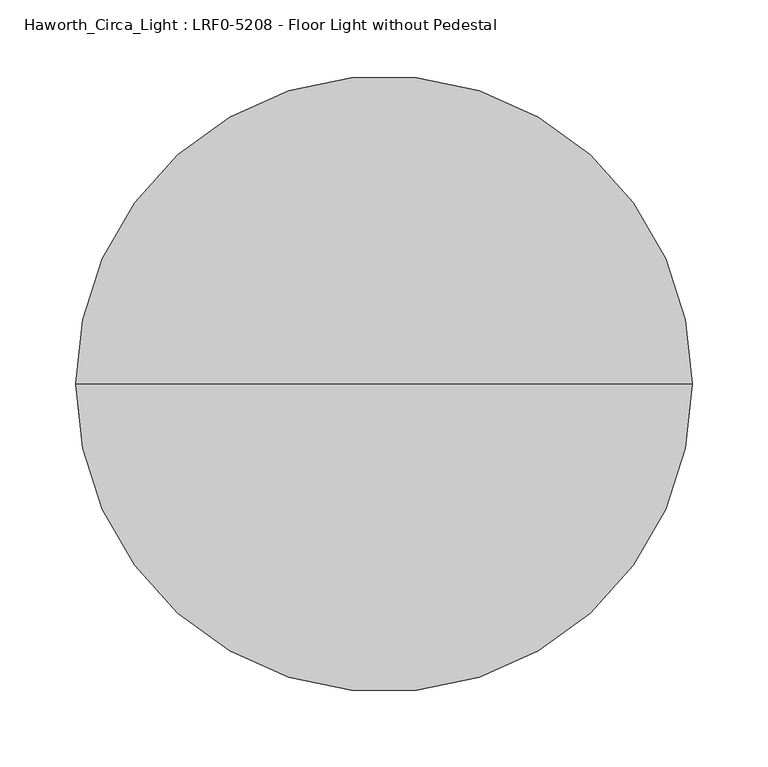
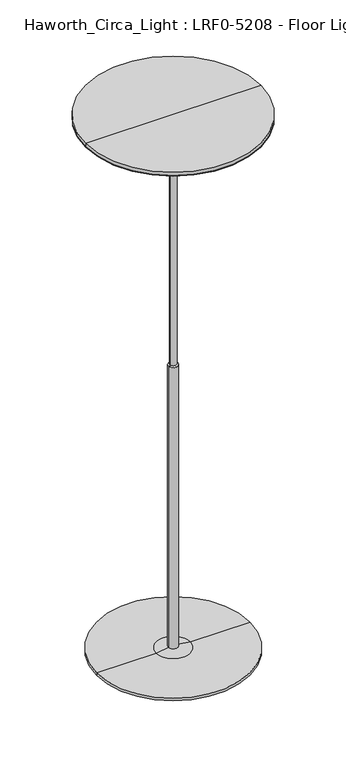
"""IFC4 building model written with IfcOpenShell, lengths in millimetres: light fixture geometry, Haworth_Circa_Light : LRF0-5208 - Floor Light without Pedestal."""

from ifc_helpers import new_model, si_unit, frame, origin, place, context, project, spatial, polyline, circle_curve, source, transform, mapped, element, save
from ifc_brep_helpers import plane_surface, cylinder_surface, revolved_surface, advanced_brep


def haworth_circa_light_lrf0_5208_floor_light_without_pedestal_fb8e6071(model_context):
    return source(origin(), model_context, "Body", "AdvancedBrep", [
        advanced_brep(
        [(-99.8462133, 182.2492657, 0.0), (-116.5127506, 176.8339794, 0.0), (-108.1794819, 179.5416226, 0.0), (-108.1794819, 179.5416226, 9.9059996), (-118.1739563, 176.294221, 9.9059996), (-98.1850076, 182.7890241, 9.9059996)],
        [
            (0, 1, circle_curve(frame((-108.1794819, 179.5416226, 0.0), z_axis=(0.0, 0.0, -1.0), x_axis=(-0.9510565162951531, -0.309016994374949, 0.0)), 8.7621172)),
            (1, 2),
            (2, 0),
            (1, 0, circle_curve(frame((-108.1794819, 179.5416226, 0.0), z_axis=(0.0, 0.0, -1.0), x_axis=(-0.9510565162951531, -0.309016994374949, 0.0)), 8.7621172)),
            (3, 4),
            (4, 5, circle_curve(frame((-108.1794819, 179.5416226, 9.9059996), z_axis=(0.0, 0.0, 1.0), x_axis=(-0.9510565162951531, -0.309016994374949, 0.0)), 10.5088122)),
            (5, 3),
            (5, 4, circle_curve(frame((-108.1794819, 179.5416226, 9.9059996), z_axis=(0.0, 0.0, 1.0), x_axis=(-0.9510565162951531, -0.309016994374949, 0.0)), 10.5088122)),
            (4, 1),
            (0, 5),
        ],
        [
            plane_surface(frame((-108.1794819, 179.5416226, 0.0), z_axis=(0.0, 0.0, -1.0), x_axis=(-0.9510565162951531, -0.309016994374949, 0.0))),
            plane_surface(frame((-108.1794819, 179.5416226, 9.9059996), z_axis=(0.0, 0.0, 1.0), x_axis=(-0.9510565162951531, -0.309016994374949, 0.0))),
            revolved_surface(polyline([(-116.5127506, 176.8339794, 0.0), (-118.1739563, 176.294221, 9.9059996)]), (-108.1794819, 179.5416226, -8.0451131), (0.0, 0.0, 1.0)),
        ],
        [
            (0, [[1, 2, 3]]),
            (0, [[4, -3, -2]]),
            (1, [[5, 6, 7]]),
            (1, [[-7, 8, -5]]),
            (2, [[-6, 9, -1, 10]]),
            (2, [[-8, -10, -4, -9]]),
        ],
    ),
        advanced_brep(
        [(-173.7713699, 224.2532085, 1312.9022747), (232.6286301, 224.2532085, 1312.9022747), (232.6286301, 224.2532085, 1311.652351), (-173.7713699, 224.2532085, 1311.652351), (-27.7213699, 224.2532085, 1312.9022747), (86.5786301, 224.2532085, 1312.9022747), (-27.7213699, 224.2532085, 1311.652351), (86.5786301, 224.2532085, 1311.652351)],
        [
            (0, 1, circle_curve(frame((29.4286301, 224.2532085, 1312.9022747), z_axis=(0.0, 0.0, -1.0), x_axis=(1.0, 0.0, 0.0)), 203.2)),
            (1, 2),
            (2, 3, circle_curve(frame((29.4286301, 224.2532085, 1311.652351), z_axis=(0.0, 0.0, 1.0), x_axis=(1.0, 0.0, 0.0)), 203.2)),
            (3, 0),
            (1, 0, circle_curve(frame((29.4286301, 224.2532085, 1312.9022747), z_axis=(0.0, 0.0, -1.0), x_axis=(1.0, 0.0, 0.0)), 203.2)),
            (3, 2, circle_curve(frame((29.4286301, 224.2532085, 1311.652351), z_axis=(0.0, 0.0, 1.0), x_axis=(1.0, 0.0, 0.0)), 203.2)),
            (4, 5, circle_curve(frame((29.4286301, 224.2532085, 1312.9022747), z_axis=(0.0, 0.0, -1.0), x_axis=(1.0, 0.0, 0.0)), 57.15)),
            (5, 1),
            (0, 4),
            (5, 4, circle_curve(frame((29.4286301, 224.2532085, 1312.9022747), z_axis=(0.0, 0.0, -1.0), x_axis=(1.0, 0.0, 0.0)), 57.15)),
            (6, 7, circle_curve(frame((29.4286301, 224.2532085, 1311.652351), z_axis=(0.0, 0.0, -1.0), x_axis=(1.0, 0.0, 0.0)), 57.15)),
            (7, 5),
            (4, 6),
            (7, 6, circle_curve(frame((29.4286301, 224.2532085, 1311.652351), z_axis=(0.0, 0.0, -1.0), x_axis=(1.0, 0.0, 0.0)), 57.15)),
            (2, 7),
            (6, 3),
        ],
        [
            cylinder_surface(frame((29.4286301, 224.2532085, 1357.3522747), z_axis=(0.0, 0.0, 1.0), x_axis=(1.0, 0.0, 0.0)), 203.2),
            plane_surface(frame((29.4286301, 224.2532085, 1312.9022747), z_axis=(0.0, 0.0, 1.0), x_axis=(1.0, 0.0, 0.0))),
            revolved_surface(polyline([(86.5786301, 224.2532085, 1312.9022747), (86.5786301, 224.2532085, 1311.652351)]), (29.4286301, 224.2532085, 1357.3522747), (0.0, 0.0, 1.0)),
            plane_surface(frame((29.4286301, 224.2532085, 1311.652351), z_axis=(0.0, 0.0, -1.0), x_axis=(1.0, 0.0, 0.0))),
        ],
        [
            (0, [[1, 2, 3, 4]]),
            (0, [[5, -4, 6, -2]]),
            (1, [[7, 8, -1, 9]]),
            (1, [[10, -9, -5, -8]]),
            (2, [[11, 12, -7, 13]]),
            (2, [[14, -13, -10, -12]]),
            (3, [[-3, 15, -11, 16]]),
            (3, [[-6, -16, -14, -15]]),
        ],
    ),
        advanced_brep(
        [(-173.7713699, 224.2532085, 1312.9022747), (232.6286301, 224.2532085, 1312.9022747), (86.5786301, 224.2532085, 1312.9022747), (-27.7213699, 224.2532085, 1312.9022747), (-173.7713699, 224.2532085, 1320.8), (232.6286301, 224.2532085, 1320.8), (29.4286301, 224.2532085, 1320.8), (21.8095618, 224.2532085, 1305.9498415), (37.0476983, 224.2532085, 1305.9498415), (29.4286301, 224.2532085, 1305.9498415), (-27.7213699, 224.2532085, 1311.652351), (86.5786301, 224.2532085, 1311.652351)],
        [
            (0, 1, circle_curve(frame((29.4286301, 224.2532085, 1312.9022747), z_axis=(0.0, 0.0, -1.0), x_axis=(1.0, 0.0, 0.0)), 203.2)),
            (1, 2),
            (2, 3, circle_curve(frame((29.4286301, 224.2532085, 1312.9022747), z_axis=(0.0, 0.0, 1.0), x_axis=(1.0, 0.0, 0.0)), 57.15)),
            (3, 0),
            (1, 0, circle_curve(frame((29.4286301, 224.2532085, 1312.9022747), z_axis=(0.0, 0.0, -1.0), x_axis=(1.0, 0.0, 0.0)), 203.2)),
            (3, 2, circle_curve(frame((29.4286301, 224.2532085, 1312.9022747), z_axis=(0.0, 0.0, 1.0), x_axis=(1.0, 0.0, 0.0)), 57.15)),
            (4, 5, circle_curve(frame((29.4286301, 224.2532085, 1320.8), z_axis=(0.0, 0.0, -1.0), x_axis=(1.0, 0.0, 0.0)), 203.2)),
            (5, 1),
            (0, 4),
            (5, 4, circle_curve(frame((29.4286301, 224.2532085, 1320.8), z_axis=(0.0, 0.0, -1.0), x_axis=(1.0, 0.0, 0.0)), 203.2)),
            (6, 5),
            (4, 6),
            (7, 8, circle_curve(frame((29.4286301, 224.2532085, 1305.9498415), z_axis=(0.0, 0.0, -1.0), x_axis=(1.0, 0.0, 0.0)), 7.6190682)),
            (8, 9),
            (9, 7),
            (8, 7, circle_curve(frame((29.4286301, 224.2532085, 1305.9498415), z_axis=(0.0, 0.0, -1.0), x_axis=(1.0, 0.0, 0.0)), 7.6190682)),
            (10, 11, circle_curve(frame((29.4286301, 224.2532085, 1311.652351), z_axis=(0.0, 0.0, -1.0), x_axis=(1.0, 0.0, 0.0)), 57.15)),
            (11, 8),
            (7, 10),
            (11, 10, circle_curve(frame((29.4286301, 224.2532085, 1311.652351), z_axis=(0.0, 0.0, -1.0), x_axis=(1.0, 0.0, 0.0)), 57.15)),
            (2, 11),
            (10, 3),
        ],
        [
            plane_surface(frame((29.4286301, 224.2532085, 1312.9022747), z_axis=(0.0, 0.0, -1.0), x_axis=(1.0, 0.0, 0.0))),
            cylinder_surface(frame((29.4286301, 224.2532085, 1377.95), z_axis=(0.0, 0.0, 1.0), x_axis=(1.0, 0.0, 0.0)), 203.2),
            plane_surface(frame((29.4286301, 224.2532085, 1320.8), z_axis=(0.0, 0.0, 1.0), x_axis=(1.0, 0.0, 0.0))),
            plane_surface(frame((29.4286301, 224.2532085, 1305.9498415), z_axis=(0.0, 0.0, -1.0), x_axis=(1.0, 0.0, 0.0))),
            revolved_surface(polyline([(37.0476983, 224.2532085, 1305.9498415), (86.5786301, 224.2532085, 1311.652351)]), (29.4286301, 224.2532085, 1377.95), (0.0, 0.0, 1.0)),
            cylinder_surface(frame((29.4286301, 224.2532085, 1377.95), z_axis=(0.0, 0.0, 1.0), x_axis=(1.0, 0.0, 0.0)), 57.15),
        ],
        [
            (0, [[1, 2, 3, 4]]),
            (0, [[5, -4, 6, -2]]),
            (1, [[7, 8, -1, 9]]),
            (1, [[10, -9, -5, -8]]),
            (2, [[11, -7, 12]]),
            (2, [[-12, -10, -11]]),
            (3, [[13, 14, 15]]),
            (3, [[16, -15, -14]]),
            (4, [[17, 18, -13, 19]]),
            (4, [[20, -19, -16, -18]]),
            (5, [[-3, 21, -17, 22]]),
            (5, [[-6, -22, -20, -21]]),
        ],
    ),
        advanced_brep(
        [(-50.467617, 334.2209585, 0.0), (-60.7681035, 348.398362, 0.0), (-55.6178603, 341.3096602, 0.0), (-55.6178603, 341.3096602, 9.9059996), (-61.7947851, 349.8114679, 9.9059996), (-49.4409354, 332.8078526, 9.9059996)],
        [
            (0, 1, circle_curve(frame((-55.6178603, 341.3096602, 0.0), z_axis=(0.0, 0.0, -1.0), x_axis=(-0.5877852522924755, 0.8090169943749458, 0.0)), 8.7621172)),
            (1, 2),
            (2, 0),
            (1, 0, circle_curve(frame((-55.6178603, 341.3096602, 0.0), z_axis=(0.0, 0.0, -1.0), x_axis=(-0.5877852522924755, 0.8090169943749458, 0.0)), 8.7621172)),
            (3, 4),
            (4, 5, circle_curve(frame((-55.6178603, 341.3096602, 9.9059996), z_axis=(0.0, 0.0, 1.0), x_axis=(-0.5877852522924755, 0.8090169943749458, 0.0)), 10.5088122)),
            (5, 3),
            (5, 4, circle_curve(frame((-55.6178603, 341.3096602, 9.9059996), z_axis=(0.0, 0.0, 1.0), x_axis=(-0.5877852522924755, 0.8090169943749458, 0.0)), 10.5088122)),
            (4, 1),
            (0, 5),
        ],
        [
            plane_surface(frame((-55.6178603, 341.3096602, 0.0), z_axis=(0.0, 0.0, -1.0), x_axis=(-0.5877852522924755, 0.8090169943749458, 0.0))),
            plane_surface(frame((-55.6178603, 341.3096602, 9.9059996), z_axis=(0.0, 0.0, 1.0), x_axis=(-0.5877852522924755, 0.8090169943749458, 0.0))),
            revolved_surface(polyline([(-60.7681035, 348.398362, 0.0), (-61.7947851, 349.8114679, 9.9059996)]), (-55.6178603, 341.3096602, -8.0451131), (0.0, 0.0, 1.0)),
        ],
        [
            (0, [[1, 2, 3]]),
            (0, [[4, -3, -2]]),
            (1, [[5, 6, 7]]),
            (1, [[-7, 8, -5]]),
            (2, [[-6, 9, -1, 10]]),
            (2, [[-8, -10, -4, -9]]),
        ],
    ),
        advanced_brep(
        [(114.4751205, 341.3096602, 0.0), (119.6253637, 348.398362, 0.0), (109.3248772, 334.2209585, 0.0), (108.2981956, 332.8078526, 9.9059996), (120.6520453, 349.8114679, 9.9059996), (114.4751205, 341.3096602, 9.9059996)],
        [
            (0, 1),
            (1, 2, circle_curve(frame((114.4751205, 341.3096602, 0.0), z_axis=(0.0, 0.0, -1.0), x_axis=(0.5877852522924755, 0.8090169943749458, 0.0)), 8.7621172)),
            (2, 0),
            (2, 1, circle_curve(frame((114.4751205, 341.3096602, 0.0), z_axis=(0.0, 0.0, -1.0), x_axis=(0.5877852522924755, 0.8090169943749458, 0.0)), 8.7621172)),
            (3, 4, circle_curve(frame((114.4751205, 341.3096602, 9.9059996), z_axis=(0.0, 0.0, 1.0), x_axis=(0.5877852522924755, 0.8090169943749458, 0.0)), 10.5088122)),
            (4, 5),
            (5, 3),
            (4, 3, circle_curve(frame((114.4751205, 341.3096602, 9.9059996), z_axis=(0.0, 0.0, 1.0), x_axis=(0.5877852522924755, 0.8090169943749458, 0.0)), 10.5088122)),
            (1, 4),
            (3, 2),
        ],
        [
            plane_surface(frame((114.4751205, 341.3096602, 0.0), z_axis=(0.0, 0.0, -1.0), x_axis=(0.5877852522924755, 0.8090169943749458, 0.0))),
            plane_surface(frame((114.4751205, 341.3096602, 9.9059996), z_axis=(0.0, 0.0, 1.0), x_axis=(0.5877852522924755, 0.8090169943749458, 0.0))),
            revolved_surface(polyline([(120.6520453, 349.8114679, 9.9059996), (119.6253637, 348.398362, 0.0)]), (114.4751205, 341.3096602, -8.0451131), (0.0, 0.0, -1.0)),
        ],
        [
            (0, [[1, 2, 3]]),
            (0, [[-3, 4, -1]]),
            (1, [[5, 6, 7]]),
            (1, [[8, -7, -6]]),
            (2, [[-2, 9, -5, 10]]),
            (2, [[-4, -10, -8, -9]]),
        ],
    ),
        advanced_brep(
        [(167.0367421, 179.5416226, 0.0), (175.3700108, 176.8339794, 0.0), (158.7034735, 182.2492657, 0.0), (157.0422678, 182.7890241, 9.9059996), (177.0312165, 176.294221, 9.9059996), (167.0367421, 179.5416226, 9.9059996)],
        [
            (0, 1),
            (1, 2, circle_curve(frame((167.0367421, 179.5416226, 0.0), z_axis=(0.0, 0.0, -1.0), x_axis=(0.9510565162951531, -0.309016994374949, 0.0)), 8.7621172)),
            (2, 0),
            (2, 1, circle_curve(frame((167.0367421, 179.5416226, 0.0), z_axis=(0.0, 0.0, -1.0), x_axis=(0.9510565162951531, -0.309016994374949, 0.0)), 8.7621172)),
            (3, 4, circle_curve(frame((167.0367421, 179.5416226, 9.9059996), z_axis=(0.0, 0.0, 1.0), x_axis=(0.9510565162951531, -0.309016994374949, 0.0)), 10.5088122)),
            (4, 5),
            (5, 3),
            (4, 3, circle_curve(frame((167.0367421, 179.5416226, 9.9059996), z_axis=(0.0, 0.0, 1.0), x_axis=(0.9510565162951531, -0.309016994374949, 0.0)), 10.5088122)),
            (1, 4),
            (3, 2),
        ],
        [
            plane_surface(frame((167.0367421, 179.5416226, 0.0), z_axis=(0.0, 0.0, -1.0), x_axis=(0.9510565162951531, -0.309016994374949, 0.0))),
            plane_surface(frame((167.0367421, 179.5416226, 9.9059996), z_axis=(0.0, 0.0, 1.0), x_axis=(0.9510565162951531, -0.309016994374949, 0.0))),
            revolved_surface(polyline([(177.0312165, 176.294221, 9.9059996), (175.3700108, 176.8339794, 0.0)]), (167.0367421, 179.5416226, -8.0451131), (0.0, 0.0, -1.0)),
        ],
        [
            (0, [[1, 2, 3]]),
            (0, [[-3, 4, -1]]),
            (1, [[5, 6, 7]]),
            (1, [[8, -7, -6]]),
            (2, [[-2, 9, -5, 10]]),
            (2, [[-4, -10, -8, -9]]),
        ],
    ),
        advanced_brep(
        [(29.4286301, 79.563477, 0.0), (29.4286301, 70.8013598, 0.0), (29.4286301, 88.3255942, 0.0), (29.4286301, 90.0722892, 9.9059996), (29.4286301, 69.0546648, 9.9059996), (29.4286301, 79.563477, 9.9059996)],
        [
            (0, 1),
            (1, 2, circle_curve(frame((29.4286301, 79.563477, 0.0), z_axis=(0.0, 0.0, -1.0), x_axis=(0.0, -1.0, 0.0)), 8.7621172)),
            (2, 0),
            (2, 1, circle_curve(frame((29.4286301, 79.563477, 0.0), z_axis=(0.0, 0.0, -1.0), x_axis=(0.0, -1.0, 0.0)), 8.7621172)),
            (3, 4, circle_curve(frame((29.4286301, 79.563477, 9.9059996), z_axis=(0.0, 0.0, 1.0), x_axis=(0.0, -1.0, 0.0)), 10.5088122)),
            (4, 5),
            (5, 3),
            (4, 3, circle_curve(frame((29.4286301, 79.563477, 9.9059996), z_axis=(0.0, 0.0, 1.0), x_axis=(0.0, -1.0, 0.0)), 10.5088122)),
            (1, 4),
            (3, 2),
        ],
        [
            plane_surface(frame((29.4286301, 79.563477, 0.0), z_axis=(0.0, 0.0, -1.0), x_axis=(0.0, -1.0, 0.0))),
            plane_surface(frame((29.4286301, 79.563477, 9.9059996), z_axis=(0.0, 0.0, 1.0), x_axis=(0.0, -1.0, 0.0))),
            revolved_surface(polyline([(29.4286301, 69.0546648, 9.9059996), (29.4286301, 70.8013598, 0.0)]), (29.4286301, 79.563477, -8.0451131), (0.0, 0.0, -1.0)),
        ],
        [
            (0, [[1, 2, 3]]),
            (0, [[-3, 4, -1]]),
            (1, [[5, 6, 7]]),
            (1, [[8, -7, -6]]),
            (2, [[-2, 9, -5, 10]]),
            (2, [[-4, -10, -8, -9]]),
        ],
    ),
        advanced_brep(
        [(18.3796304, 224.2532085, 9.9059996), (40.4776298, 224.2532085, 9.9059996), (29.4286301, 224.2532085, 9.9059996), (18.3796304, 224.2532085, 708.429796), (40.4776298, 224.2532085, 708.429796), (29.4286301, 224.2532085, 708.429796)],
        [
            (0, 1, circle_curve(frame((29.4286301, 224.2532085, 9.9059996), z_axis=(0.0, 0.0, -1.0), x_axis=(1.0, 0.0, 0.0)), 11.0489997)),
            (1, 2),
            (2, 0),
            (1, 0, circle_curve(frame((29.4286301, 224.2532085, 9.9059996), z_axis=(0.0, 0.0, -1.0), x_axis=(1.0, 0.0, 0.0)), 11.0489997)),
            (3, 4, circle_curve(frame((29.4286301, 224.2532085, 708.429796), z_axis=(0.0, 0.0, -1.0), x_axis=(1.0, 0.0, 0.0)), 11.0489997)),
            (4, 1),
            (0, 3),
            (4, 3, circle_curve(frame((29.4286301, 224.2532085, 708.429796), z_axis=(0.0, 0.0, -1.0), x_axis=(1.0, 0.0, 0.0)), 11.0489997)),
            (5, 4),
            (3, 5),
        ],
        [
            plane_surface(frame((29.4286301, 224.2532085, 9.9059996), z_axis=(0.0, 0.0, -1.0), x_axis=(1.0, 0.0, 0.0))),
            cylinder_surface(frame((29.4286301, 224.2532085, 1431.925), z_axis=(0.0, 0.0, 1.0), x_axis=(1.0, 0.0, 0.0)), 11.0489997),
            plane_surface(frame((29.4286301, 224.2532085, 708.429796), z_axis=(0.0, 0.0, 1.0), x_axis=(1.0, 0.0, 0.0))),
        ],
        [
            (0, [[1, 2, 3]]),
            (0, [[4, -3, -2]]),
            (1, [[5, 6, -1, 7]]),
            (1, [[8, -7, -4, -6]]),
            (2, [[9, -5, 10]]),
            (2, [[-10, -8, -9]]),
        ],
    ),
        advanced_brep(
        [(21.8095618, 224.2532085, 711.2), (37.0476983, 224.2532085, 711.2), (29.4286301, 224.2532085, 711.2), (21.8095618, 224.2532085, 1314.45), (37.0476983, 224.2532085, 1314.45), (29.4286301, 224.2532085, 1314.45)],
        [
            (0, 1, circle_curve(frame((29.4286301, 224.2532085, 711.2), z_axis=(0.0, 0.0, -1.0), x_axis=(1.0, 0.0, 0.0)), 7.6190682)),
            (1, 2),
            (2, 0),
            (1, 0, circle_curve(frame((29.4286301, 224.2532085, 711.2), z_axis=(0.0, 0.0, -1.0), x_axis=(1.0, 0.0, 0.0)), 7.6190682)),
            (3, 4, circle_curve(frame((29.4286301, 224.2532085, 1314.45), z_axis=(0.0, 0.0, -1.0), x_axis=(1.0, 0.0, 0.0)), 7.6190682)),
            (4, 1),
            (0, 3),
            (4, 3, circle_curve(frame((29.4286301, 224.2532085, 1314.45), z_axis=(0.0, 0.0, -1.0), x_axis=(1.0, 0.0, 0.0)), 7.6190682)),
            (5, 4),
            (3, 5),
        ],
        [
            plane_surface(frame((29.4286301, 224.2532085, 711.2), z_axis=(0.0, 0.0, -1.0), x_axis=(1.0, 0.0, 0.0))),
            cylinder_surface(frame((29.4286301, 224.2532085, 1431.925), z_axis=(0.0, 0.0, 1.0), x_axis=(1.0, 0.0, 0.0)), 7.6190682),
            plane_surface(frame((29.4286301, 224.2532085, 1314.45), z_axis=(0.0, 0.0, 1.0), x_axis=(1.0, 0.0, 0.0))),
        ],
        [
            (0, [[1, 2, 3]]),
            (0, [[4, -3, -2]]),
            (1, [[5, 6, -1, 7]]),
            (1, [[8, -7, -4, -6]]),
            (2, [[9, -5, 10]]),
            (2, [[-10, -8, -9]]),
        ],
    ),
        advanced_brep(
        [(-148.3713699, 224.2532085, 9.921875), (207.2286301, 224.2532085, 9.921875), (29.4286301, 224.2532085, 9.921875), (-10.3844077, 224.2532085, 15.9060002), (69.2416679, 224.2532085, 15.9060002), (207.2286301, 224.2532085, 15.9060002), (-148.3713699, 224.2532085, 15.9060002), (18.882059, 224.2532085, 20.4218745), (39.9752012, 224.2532085, 20.4218745), (29.4286301, 224.2532085, 20.4218745)],
        [
            (0, 1, circle_curve(frame((29.4286301, 224.2532085, 9.921875), z_axis=(0.0, 0.0, -1.0), x_axis=(1.0, 0.0, 0.0)), 177.8)),
            (1, 2),
            (2, 0),
            (1, 0, circle_curve(frame((29.4286301, 224.2532085, 9.921875), z_axis=(0.0, 0.0, -1.0), x_axis=(1.0, 0.0, 0.0)), 177.8)),
            (3, 4, circle_curve(frame((29.4286301, 224.2532085, 15.9060002), z_axis=(0.0, 0.0, -1.0), x_axis=(1.0, 0.0, 0.0)), 39.8130378)),
            (4, 5),
            (5, 6, circle_curve(frame((29.4286301, 224.2532085, 15.9060002), z_axis=(0.0, 0.0, 1.0), x_axis=(1.0, 0.0, 0.0)), 177.8)),
            (6, 3),
            (4, 3, circle_curve(frame((29.4286301, 224.2532085, 15.9060002), z_axis=(0.0, 0.0, -1.0), x_axis=(1.0, 0.0, 0.0)), 39.8130378)),
            (6, 5, circle_curve(frame((29.4286301, 224.2532085, 15.9060002), z_axis=(0.0, 0.0, 1.0), x_axis=(1.0, 0.0, 0.0)), 177.8)),
            (5, 1),
            (0, 6),
            (7, 8, circle_curve(frame((29.4286301, 224.2532085, 20.4218745), z_axis=(0.0, 0.0, -1.0), x_axis=(1.0, 0.0, 0.0)), 10.5465711)),
            (8, 4),
            (3, 7),
            (8, 7, circle_curve(frame((29.4286301, 224.2532085, 20.4218745), z_axis=(0.0, 0.0, -1.0), x_axis=(1.0, 0.0, 0.0)), 10.5465711)),
            (9, 8),
            (7, 9),
        ],
        [
            plane_surface(frame((29.4286301, 224.2532085, 9.921875), z_axis=(0.0, 0.0, -1.0), x_axis=(1.0, 0.0, 0.0))),
            plane_surface(frame((29.4286301, 224.2532085, 15.9060002), z_axis=(0.0, 0.0, 1.0), x_axis=(1.0, 0.0, 0.0))),
            cylinder_surface(frame((29.4286301, 224.2532085, 59.9344776), z_axis=(0.0, 0.0, 1.0), x_axis=(1.0, 0.0, 0.0)), 177.8),
            revolved_surface(polyline([(69.2416679, 224.2532085, 15.9060002), (39.9752012, 224.2532085, 20.4218745)]), (29.4286301, 224.2532085, 59.9344776), (0.0, 0.0, 1.0)),
            plane_surface(frame((29.4286301, 224.2532085, 20.4218745), z_axis=(0.0, 0.0, 1.0), x_axis=(1.0, 0.0, 0.0))),
        ],
        [
            (0, [[1, 2, 3]]),
            (0, [[4, -3, -2]]),
            (1, [[5, 6, 7, 8]]),
            (1, [[9, -8, 10, -6]]),
            (2, [[-7, 11, -1, 12]]),
            (2, [[-10, -12, -4, -11]]),
            (3, [[13, 14, -5, 15]]),
            (3, [[16, -15, -9, -14]]),
            (4, [[17, -13, 18]]),
            (4, [[-18, -16, -17]]),
        ],
    ),
    ])


if __name__ == "__main__":
    model = new_model("IFC4")
    model_context = context("Model", 3, world=origin())
    ifc_project = project(units=[si_unit("LENGTHUNIT", "METRE", prefix="MILLI")], contexts=[model_context])
    site = spatial("IfcSite", under=ifc_project)
    building = spatial("IfcBuilding", under=site)
    placement = place(None, origin())
    haworth_circa_light_lrf0_5208_floor_light_without_pedestal_shape = haworth_circa_light_lrf0_5208_floor_light_without_pedestal_fb8e6071(model_context)
    element("IfcLightFixture", 1, ObjectType="Haworth_Circa_Light : LRF0-5208 - Floor Light without Pedestal", at=placement, inside=building, context=model_context, shape_type="MappedRepresentation", body=[
        mapped(haworth_circa_light_lrf0_5208_floor_light_without_pedestal_shape, transform((0.0, 0.0, 0.0), x_axis=(1.0, 0.0, 0.0), y_axis=(0.0, 1.0, 0.0), z_axis=(0.0, 0.0, 1.0))),
    ])
    save(model, "model.ifc")
